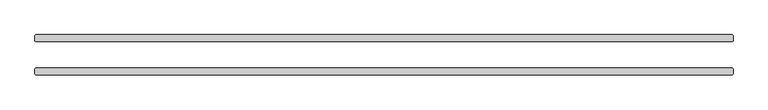
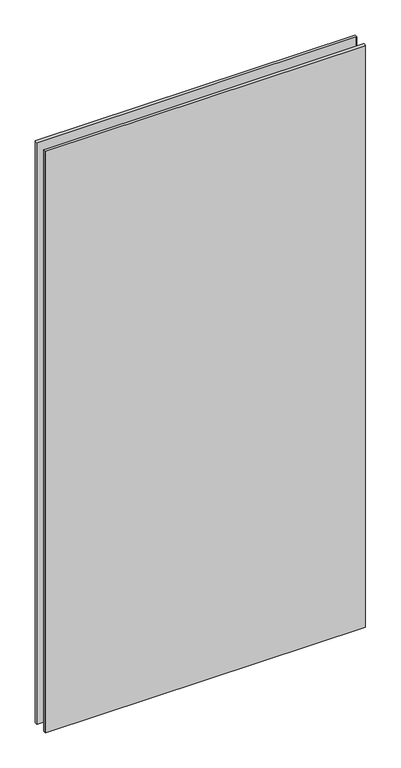
"""IFC4 building model written with IfcOpenShell, lengths in millimetres: plate geometry."""

from ifc_helpers import new_model, si_unit, origin, origin_with_axes, place, context, project, spatial, polyline, outline, extrude, source, transform, mapped, element, save


def plate_7f63de15(model_context):
    return source(origin(), model_context, "Body", "SweptSolid", [
        extrude(outline(polyline([(630.634375, 23.8125), (-630.634375, 23.8125), (-632.221875, 25.4), (-632.221875, 34.925), (-630.634375, 36.5125), (630.634375, 36.5125), (632.221875, 34.925), (632.221875, 25.4), (630.634375, 23.8125)])), origin_with_axes(), (0.0, 0.0, 1.0), 2428.7789267),
        extrude(outline(polyline([(630.634375, -36.5125), (-630.634375, -36.5125), (-632.221875, -34.925), (-632.221875, -25.4), (-630.634375, -23.8125), (630.634375, -23.8125), (632.221875, -25.4), (632.221875, -34.925), (630.634375, -36.5125)])), origin_with_axes(), (0.0, 0.0, 1.0), 2428.7789267),
    ])


if __name__ == "__main__":
    model = new_model("IFC4")
    model_context = context("Model", 3, world=origin())
    ifc_project = project(units=[si_unit("LENGTHUNIT", "METRE", prefix="MILLI")], contexts=[model_context])
    site = spatial("IfcSite", under=ifc_project)
    building = spatial("IfcBuilding", under=site)
    placement = place(None, origin())
    plate_shape = plate_7f63de15(model_context)
    element("IfcPlate", 1, at=placement, inside=building, context=model_context, shape_type="MappedRepresentation", body=[
        mapped(plate_shape, transform((0.0, 0.0, 0.0), x_axis=(1.0, 0.0, 0.0), y_axis=(0.0, 1.0, 0.0), z_axis=(0.0, 0.0, 1.0))),
    ])
    save(model, "model.ifc")
